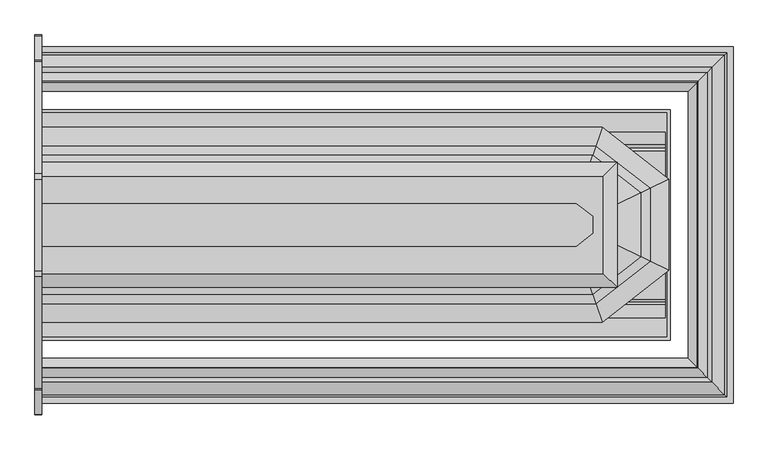
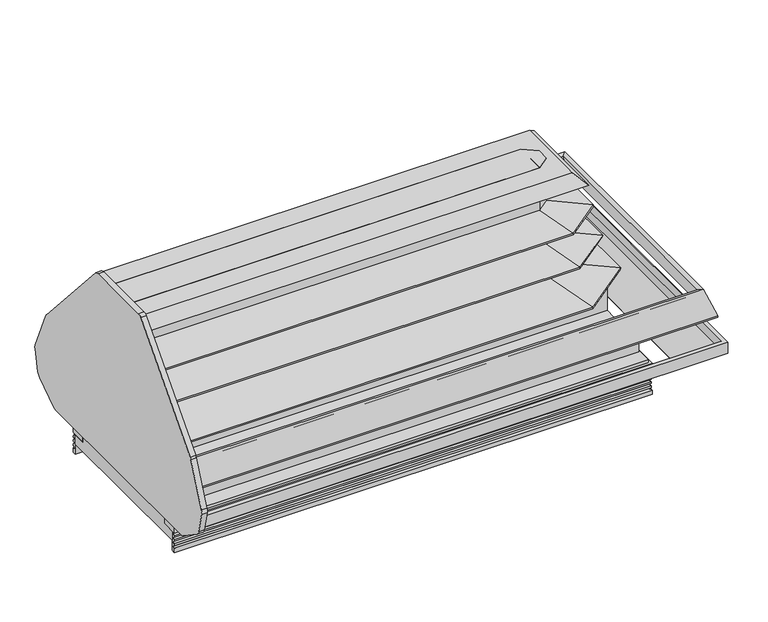
"""IFC4 building model written with IfcOpenShell, lengths in millimetres: proxy geometry."""

from ifc_helpers import new_model, si_unit, point, frame, frame_2d, origin, place, context, project, spatial, polyline, circle_curve, ellipse_curve, trimmed, segment, composite_curve, outline, extrude, faceted_brep, source, transform, mapped, element, save
from ifc_brep_helpers import plane_surface, cylinder_surface, revolved_surface, advanced_brep


def mechanical_equipment_3cde9003(model_context):
    return source(origin(), model_context, "Body", "SolidModel", [
        extrude(outline(polyline([(2941.6375, -886.8335484), (3246.4375, -886.8335484), (3246.4375, -988.4335484), (2941.6375, -988.4335484), (2941.6375, -886.8335484)])), frame((0.0, 0.0, 139.7), z_axis=(0.0, 0.0, 1.0), x_axis=(1.0, 0.0, 0.0)), (0.0, 0.0, 1.0), 53.975),
        extrude(outline(composite_curve([segment(polyline([(-1085.5128753, 1566.4562797), (-480.526685, 885.637089)]), True, "CONTINUOUS"), segment(trimmed(circle_curve(frame_2d((-518.5002411, 851.8932149)), 50.8), [point((-480.526685, 885.637089))], [point((-471.9860956, 872.3156111))], False, "CARTESIAN"), True, "CONTINUOUS"), segment(polyline([(-471.9860956, 872.3156111), (-341.5370545, 575.204262)]), True, "CONTINUOUS"), segment(trimmed(circle_curve(frame_2d((-387.5961448, 554.9816613)), 50.3030156), [point((-341.5370545, 575.204262))], [point((-338.5835735, 543.6608296))], False, "CARTESIAN"), True, "CONTINUOUS"), segment(polyline([(-338.5835735, 543.6608296), (-374.9847097, 391.220334)]), True, "CONTINUOUS"), segment(trimmed(circle_curve(frame_2d((-424.3955292, 403.0191015)), 50.8), [point((-374.9847097, 391.220334))], [point((-395.2578462, 361.4061777))], False, "CARTESIAN"), True, "CONTINUOUS"), segment(polyline([(-395.2578462, 361.4061777), (-569.0199124, 245.040927)]), True, "CONTINUOUS"), segment(trimmed(circle_curve(frame_2d((-598.1575954, 286.6538508)), 50.8), [point((-569.0199124, 245.040927))], [point((-598.1575954, 235.8538508))], False, "CARTESIAN"), True, "CONTINUOUS"), segment(polyline([(-598.1575954, 235.8538508), (-2125.3844839, 235.8538508)]), True, "CONTINUOUS"), segment(trimmed(circle_curve(frame_2d((-2125.3844839, 286.6538508)), 50.8), [point((-2125.3844839, 235.8538508))], [point((-2154.5221669, 245.040927))], False, "CARTESIAN"), True, "CONTINUOUS"), segment(polyline([(-2154.5221669, 245.040927), (-2328.2842331, 361.4061777)]), True, "CONTINUOUS"), segment(trimmed(circle_curve(frame_2d((-2299.1465501, 403.0191015)), 50.8), [point((-2328.2842331, 361.4061777))], [point((-2348.5573696, 391.220334))], False, "CARTESIAN"), True, "CONTINUOUS"), segment(polyline([(-2348.5573696, 391.220334), (-2384.9585058, 543.6608296)]), True, "CONTINUOUS"), segment(trimmed(circle_curve(frame_2d((-2335.9459345, 554.9816613)), 50.3030156), [point((-2384.9585058, 543.6608296))], [point((-2382.0050248, 575.204262))], False, "CARTESIAN"), True, "CONTINUOUS"), segment(polyline([(-2382.0050248, 575.204262), (-2251.5559837, 872.3156111)]), True, "CONTINUOUS"), segment(trimmed(circle_curve(frame_2d((-2205.0418381, 851.8932149)), 50.8), [point((-2251.5559837, 872.3156111))], [point((-2243.0153942, 885.637089))], False, "CARTESIAN"), True, "CONTINUOUS"), segment(polyline([(-2243.0153942, 885.637089), (-1638.029204, 1566.4562797)]), True, "CONTINUOUS"), segment(trimmed(circle_curve(frame_2d((-1608.8053155, 1524.9038508)), 50.8), [point((-1638.029204, 1566.4562797))], [point((-1608.8053155, 1575.7038508))], False, "CARTESIAN"), True, "CONTINUOUS"), segment(polyline([(-1608.8053155, 1575.7038508), (-1114.7367637, 1575.7038508)]), True, "CONTINUOUS"), segment(trimmed(circle_curve(frame_2d((-1114.7367637, 1524.9038508)), 50.8), [point((-1114.7367637, 1575.7038508))], [point((-1085.5128753, 1566.4562797))], False, "CARTESIAN"), True, "CONTINUOUS")], self_intersect=False)), frame((-38.1, 0.0, 0.0), z_axis=(1.0, 0.0, 0.0), x_axis=(0.0, 1.0, 0.0)), (0.0, 0.0, 1.0), 38.1),
        extrude(outline(polyline([(2880.4869938, -1246.7701211), (2969.3869938, -1316.2264133), (2969.3869938, -1407.4378289), (2880.4869938, -1476.8941211), (0.0, -1476.8941211), (0.0, -1246.7701211), (2880.4869938, -1246.7701211)])), frame((0.0, 0.0, 529.6852408), z_axis=(0.0, 0.0, 1.0), x_axis=(1.0, 0.0, 0.0)), (0.0, 0.0, 1.0), 1037.1772592),
        faceted_brep([(0.0, -1645.8233285, 971.7119545), (0.0, -1648.0286603, 984.219013), (0.0, -1784.8246123, 960.0981958), (0.0, -1787.1677774, 973.3869454), (0.0, -1476.8941211, 1028.0965624), (0.0, -1476.8941211, 969.4224998), (2939.4133413, -1075.6355819, 984.219013), (2938.6539846, -1077.8409138, 971.7119545), (0.0, -1077.8409138, 971.7119545), (0.0, -1075.6355819, 984.219013), (2986.5159649, -938.83963, 960.0981958), (0.0, -938.83963, 960.0981958), (2987.3227813, -936.4964649, 973.3869454), (0.0, -936.4964649, 973.3869454), (2880.4869938, -1246.7701211, 1028.0965624), (0.0, -1246.7701211, 1028.0965624), (2880.4869938, -1246.7701211, 969.4224998), (0.0, -1246.7701211, 969.4224998), (2938.6539846, -1645.8233285, 971.7119545), (2939.4133413, -1648.0286603, 984.219013), (2986.5159649, -1784.8246123, 960.0981958), (2987.3227813, -1787.1677774, 973.3869454), (2880.4869938, -1476.8941211, 1028.0965624), (2880.4869938, -1476.8941211, 969.4224998), (3138.3162012, -1489.8301085, 971.7119545), (3140.521533, -1490.9057207, 984.219013), (3277.317485, -1557.6255645, 960.0981958), (3279.6606501, -1558.7684025, 973.3869454), (2969.3869938, -1407.4378289, 1028.0965624), (2969.3869938, -1407.4378289, 969.4224998), (3138.3162012, -1233.8341337, 971.7119545), (3140.521533, -1232.7585215, 984.219013), (3277.317485, -1166.0386778, 960.0981958), (3279.6606501, -1164.8958398, 973.3869454), (2969.3869938, -1316.2264133, 1028.0965624), (2969.3869938, -1316.2264133, 969.4224998)], [[[0, 1, 2, 3, 4, 5]], [[6, 7, 8, 9]], [[10, 6, 9, 11]], [[12, 10, 11, 13]], [[14, 12, 13, 15]], [[16, 14, 15, 17]], [[7, 16, 17, 8]], [[8, 17, 15, 13, 11, 9]], [[1, 0, 18, 19]], [[2, 1, 19, 20]], [[3, 2, 20, 21]], [[4, 3, 21, 22]], [[5, 4, 22, 23]], [[0, 5, 23, 18]], [[19, 18, 24, 25]], [[20, 19, 25, 26]], [[21, 20, 26, 27]], [[22, 21, 27, 28]], [[23, 22, 28, 29]], [[18, 23, 29, 24]], [[25, 24, 30, 31]], [[26, 25, 31, 32]], [[27, 26, 32, 33]], [[28, 27, 33, 34]], [[29, 28, 34, 35]], [[24, 29, 35, 30]], [[31, 30, 7, 6]], [[32, 31, 6, 10]], [[33, 32, 10, 12]], [[34, 33, 12, 14]], [[35, 34, 14, 16]], [[30, 35, 16, 7]]]),
        faceted_brep([(0.0, -1476.8941211, 734.6361537), (0.0, -1748.5765466, 725.7131569), (0.0, -1749.6792126, 731.9666861), (0.0, -1884.9117822, 708.1215354), (0.0, -1887.2549473, 721.410285), (0.0, -1476.8941211, 793.7679705), (2974.034755, -975.0876956, 725.7131569), (2880.4869938, -1246.7701211, 734.6361537), (0.0, -1246.7701211, 734.6361537), (0.0, -975.0876956, 725.7131569), (2974.4144333, -973.9850297, 731.9666861), (0.0, -973.9850297, 731.9666861), (3020.9787412, -838.7524601, 708.1215354), (0.0, -838.7524601, 708.1215354), (3021.7855577, -836.409295, 721.410285), (0.0, -836.409295, 721.410285), (2880.4869938, -1246.7701211, 793.7679705), (0.0, -1246.7701211, 793.7679705), (2880.4869938, -1476.8941211, 734.6361537), (2974.034755, -1748.5765466, 725.7131569), (2974.4144333, -1749.6792126, 731.9666861), (3020.9787412, -1884.9117822, 708.1215354), (3021.7855577, -1887.2549473, 721.410285), (2880.4869938, -1476.8941211, 793.7679705), (2969.3869938, -1407.4378289, 734.6361537), (3241.0694193, -1539.9462016, 725.7131569), (3242.1720853, -1540.4840077, 731.9666861), (3377.4046549, -1606.4413389, 708.1215354), (3379.74782, -1607.5841769, 721.410285), (2969.3869938, -1407.4378289, 793.7679705), (2969.3869938, -1316.2264133, 734.6361537), (3241.0694193, -1183.7180407, 725.7131569), (3242.1720853, -1183.1802346, 731.9666861), (3377.4046549, -1117.2229033, 708.1215354), (3379.74782, -1116.0800653, 721.410285), (2969.3869938, -1316.2264133, 793.7679705)], [[[0, 1, 2, 3, 4, 5]], [[6, 7, 8, 9]], [[10, 6, 9, 11]], [[12, 10, 11, 13]], [[14, 12, 13, 15]], [[16, 14, 15, 17]], [[7, 16, 17, 8]], [[8, 17, 15, 13, 11, 9]], [[1, 0, 18, 19]], [[2, 1, 19, 20]], [[3, 2, 20, 21]], [[4, 3, 21, 22]], [[5, 4, 22, 23]], [[0, 5, 23, 18]], [[19, 18, 24, 25]], [[20, 19, 25, 26]], [[21, 20, 26, 27]], [[22, 21, 27, 28]], [[23, 22, 28, 29]], [[18, 23, 29, 24]], [[25, 24, 30, 31]], [[26, 25, 31, 32]], [[27, 26, 32, 33]], [[28, 27, 33, 34]], [[29, 28, 34, 35]], [[24, 29, 35, 30]], [[31, 30, 7, 6]], [[32, 31, 6, 10]], [[33, 32, 10, 12]], [[34, 33, 12, 14]], [[35, 34, 14, 16]], [[30, 35, 16, 7]]]),
        faceted_brep([(0.0, -1645.8233285, 1192.8622556), (0.0, -1648.0286603, 1205.3693141), (0.0, -1734.7963784, 1190.0698243), (0.0, -1737.1395435, 1203.3585739), (0.0, -1476.8941211, 1249.2468635), (0.0, -1476.8941211, 1190.5728009), (0.0, -1077.8409138, 1192.8622556), (0.0, -1246.7701211, 1190.5728009), (0.0, -1246.7701211, 1249.2468635), (0.0, -986.5246988, 1203.3585739), (0.0, -988.8678638, 1190.0698243), (0.0, -1075.6355819, 1205.3693141), (2939.4133413, -1648.0286603, 1205.3693141), (2938.6539846, -1645.8233285, 1192.8622556), (3138.3162012, -1489.8301085, 1192.8622556), (3140.521533, -1490.9057207, 1205.3693141), (2969.2898625, -1734.7963784, 1190.0698243), (3227.2892511, -1533.2251645, 1190.0698243), (2970.096679, -1737.1395435, 1203.3585739), (3229.6324162, -1534.3680025, 1203.3585739), (2880.4869938, -1476.8941211, 1249.2468635), (2969.3869938, -1407.4378289, 1249.2468635), (2880.4869938, -1476.8941211, 1190.5728009), (2969.3869938, -1407.4378289, 1190.5728009), (3138.3162012, -1233.8341337, 1192.8622556), (3140.521533, -1232.7585215, 1205.3693141), (3227.2892511, -1190.4390778, 1190.0698243), (3229.6324162, -1189.2962398, 1203.3585739), (2969.3869938, -1316.2264133, 1249.2468635), (2969.3869938, -1316.2264133, 1190.5728009), (2938.6539846, -1077.8409138, 1192.8622556), (2939.4133413, -1075.6355819, 1205.3693141), (2969.2898625, -988.8678638, 1190.0698243), (2970.096679, -986.5246988, 1203.3585739), (2880.4869938, -1246.7701211, 1249.2468635), (2880.4869938, -1246.7701211, 1190.5728009)], [[[0, 1, 2, 3, 4, 5]], [[6, 7, 8, 9, 10, 11]], [[12, 13, 14, 15]], [[16, 12, 15, 17]], [[18, 16, 17, 19]], [[20, 18, 19, 21]], [[22, 20, 21, 23]], [[13, 22, 23, 14]], [[15, 14, 24, 25]], [[17, 15, 25, 26]], [[19, 17, 26, 27]], [[21, 19, 27, 28]], [[23, 21, 28, 29]], [[14, 23, 29, 24]], [[25, 24, 30, 31]], [[26, 25, 31, 32]], [[27, 26, 32, 33]], [[28, 27, 33, 34]], [[29, 28, 34, 35]], [[24, 29, 35, 30]], [[31, 30, 6, 11]], [[32, 31, 11, 10]], [[33, 32, 10, 9]], [[34, 33, 9, 8]], [[35, 34, 8, 7]], [[30, 35, 7, 6]], [[1, 0, 13, 12]], [[2, 1, 12, 16]], [[3, 2, 16, 18]], [[4, 3, 18, 20]], [[5, 4, 20, 22]], [[0, 5, 22, 13]]]),
        faceted_brep([(0.0, -400.0738396, 393.2587782), (0.0, -624.4162298, 236.1725455), (0.0, -642.1057162, 261.4357503), (0.0, -431.0303317, 409.2323256), (0.0, -431.0303317, 475.7067395), (0.0, -400.0738396, 475.7067395), (0.0, -2323.590415, 393.2587782), (0.0, -2323.590415, 475.7067395), (0.0, -2292.6339229, 475.7067395), (0.0, -2292.6339229, 409.2323256), (0.0, -2081.5585384, 261.4357503), (0.0, -2099.2480248, 236.1725455), (3696.2267956, -431.0303317, 409.2323256), (3696.2267956, -431.0303317, 475.7067395), (3696.2267956, -2292.6339229, 475.7067395), (3727.1832877, -2323.590415, 475.7067395), (3727.1832877, -400.0738396, 475.7067395), (3727.1832877, -400.0738396, 393.2587782), (3696.2267956, -2292.6339229, 409.2323256), (3727.1832877, -2323.590415, 393.2587782), (3502.8408975, -624.4162298, 236.1725455), (3485.1514111, -642.1057162, 261.4357503), (3502.8408975, -2099.2480248, 236.1725455), (3485.1514111, -2081.5585384, 261.4357503)], [[[0, 1, 2, 3, 4, 5]], [[6, 7, 8, 9, 10, 11]], [[4, 3, 12, 13]], [[5, 4, 13, 14, 8, 7, 15, 16]], [[0, 5, 16, 17]], [[13, 12, 18, 14]], [[17, 16, 15, 19]], [[14, 18, 9, 8]], [[19, 15, 7, 6]], [[1, 0, 17, 20]], [[2, 1, 20, 21]], [[3, 2, 21, 12]], [[20, 17, 19, 22]], [[21, 20, 22, 23]], [[12, 21, 23, 18]], [[22, 19, 6, 11]], [[23, 22, 11, 10]], [[18, 23, 10, 9]]]),
        extrude(outline(composite_curve([segment(trimmed(circle_curve(frame_2d((1889.125, -1361.8321273)), 19.05), [point((1870.075, -1361.8321273))], [point((1908.175, -1361.8321273))], False, "CARTESIAN"), True, "CONTINUOUS"), segment(trimmed(circle_curve(frame_2d((1889.125, -1361.8321273)), 19.05), [point((1908.175, -1361.8321273))], [point((1870.075, -1361.8321273))], False, "CARTESIAN"), True, "CONTINUOUS")], self_intersect=False)), frame((0.0, 0.0, 43.7437524), z_axis=(0.0, 0.0, 1.0), x_axis=(1.0, 0.0, 0.0)), (0.0, 0.0, 1.0), 210.2562476),
        extrude(outline(composite_curve([segment(trimmed(circle_curve(frame_2d((105.4191453, -889.3908129)), 11.1125), [point((94.3066453, -889.3908129))], [point((116.5316453, -889.3908129))], False, "CARTESIAN"), True, "CONTINUOUS"), segment(trimmed(circle_curve(frame_2d((105.4191453, -889.3908129)), 11.1125), [point((116.5316453, -889.3908129))], [point((94.3066453, -889.3908129))], False, "CARTESIAN"), True, "CONTINUOUS")], self_intersect=False)), frame((0.0, 0.0, 43.7437524), z_axis=(0.0, 0.0, 1.0), x_axis=(1.0, 0.0, 0.0)), (0.0, 0.0, 1.0), 210.2562476),
        extrude(outline(composite_curve([segment(trimmed(circle_curve(frame_2d((105.8867913, -909.9672391)), 4.7625), [point((101.1242913, -909.9672391))], [point((110.6492913, -909.9672391))], False, "CARTESIAN"), True, "CONTINUOUS"), segment(trimmed(circle_curve(frame_2d((105.8867913, -909.9672391)), 4.7625), [point((110.6492913, -909.9672391))], [point((101.1242913, -909.9672391))], False, "CARTESIAN"), True, "CONTINUOUS")], self_intersect=False)), frame((0.0, 0.0, 43.7437524), z_axis=(0.0, 0.0, 1.0), x_axis=(1.0, 0.0, 0.0)), (0.0, 0.0, 1.0), 210.2562476),
        faceted_brep([(0.0, -1983.9416266, 146.05), (0.0, -1983.9416266, 233.7483804), (0.0, -1966.0346266, 233.7483804), (0.0, -1966.0346266, 254.0), (0.0, -1862.2307062, 254.0), (0.0, -1862.2307062, 146.05), (0.0, -739.722628, 146.05), (0.0, -861.4335484, 146.05), (0.0, -861.4335484, 254.0), (0.0, -757.629628, 254.0), (0.0, -757.629628, 233.7483804), (0.0, -739.722628, 233.7483804), (2890.8375, -859.8460484, 206.9984495), (3265.4875, -859.8460484, 206.9984495), (3265.4875, -861.4335484, 206.9984495), (2890.8375, -861.4335484, 206.9984495), (3265.4875, -859.8460484, 146.05), (3265.4875, -861.4335484, 146.05), (2890.8375, -859.8460484, 146.05), (2890.8375, -861.4335484, 146.05), (3387.5344993, -1983.9416266, 233.7483804), (3387.5344993, -1983.9416266, 146.05), (3387.5344993, -739.722628, 146.05), (3387.5344993, -739.722628, 233.7483804), (3369.6274993, -1966.0346266, 254.0), (3369.6274993, -1966.0346266, 233.7483804), (3369.6274993, -757.629628, 233.7483804), (3369.6274993, -757.629628, 254.0), (3265.8235789, -1862.2307062, 146.05), (3265.8235789, -1862.2307062, 254.0), (3265.8235789, -861.4335484, 254.0), (3265.8235789, -861.4335484, 146.05)], [[[0, 1, 2, 3, 4, 5]], [[6, 7, 8, 9, 10, 11]], [[12, 13, 14, 15]], [[14, 13, 16, 17]], [[13, 12, 18, 16]], [[12, 15, 19, 18]], [[20, 21, 22, 23]], [[24, 25, 26, 27]], [[28, 29, 30, 31]], [[6, 11, 23, 22]], [[10, 9, 27, 26]], [[8, 7, 19, 15, 14, 17, 31, 30]], [[1, 0, 21, 20]], [[2, 1, 20, 23, 11, 10, 26, 25]], [[3, 2, 25, 24]], [[4, 3, 24, 27, 9, 8, 30, 29]], [[5, 4, 29, 28]], [[0, 5, 28, 31, 17, 16, 18, 19, 7, 6, 22, 21]]]),
        advanced_brep(
        [(3360.5553221, -1476.8941211, 529.6852408), (3360.5553221, -1476.8941211, 330.5006237), (3360.5553221, -1762.7267176, 316.0191309), (3360.5553221, -1778.0110647, 301.5392231), (3360.5553221, -1793.2737198, 315.9985806), (3360.5553221, -1862.2498492, 318.4951693), (3360.5553221, -1862.2498492, 146.05), (3360.5553221, -1956.9624494, 146.05), (3360.5553221, -1956.9624494, 74.4934376), (3360.5553221, -766.7018052, 74.4934376), (3360.5553221, -766.7018052, 146.05), (3360.5553221, -861.4335484, 146.05), (3360.5553221, -861.4335484, 318.4944764), (3360.5553221, -930.3905348, 315.9985806), (3360.5553221, -945.6531899, 301.5392231), (3360.5553221, -960.937537, 316.0191309), (3360.5553221, -1246.7701335, 330.5006237), (3360.5553221, -1246.7701335, 529.6852408), (0.0, -1476.8941211, 529.6852408), (0.0, -1246.7701335, 529.6852408), (0.0, -1246.7701335, 330.5006237), (0.0, -960.937537, 316.0191309), (0.0, -945.6531899, 301.5392231), (0.0, -930.3905348, 315.9985806), (0.0, -861.4335484, 318.4944764), (0.0, -861.4335484, 146.05), (0.0, -766.7018052, 146.05), (0.0, -766.7018052, 74.4934376), (0.0, -1956.9624494, 74.4934376), (0.0, -1956.9624494, 146.05), (0.0, -1862.2498492, 146.05), (0.0, -1862.2498492, 318.4951693), (0.0, -1793.2737198, 315.9985806), (0.0, -1778.0110647, 301.5392231), (0.0, -1762.7267176, 316.0191309), (0.0, -1476.8941211, 330.5006237), (80.9625, -896.6946273, 254.0), (131.7625, -896.6946273, 254.0), (131.7625, -896.6946273, 74.4934376), (80.9625, -896.6946273, 74.4934376), (1857.375, -1361.3307706, 254.0), (1920.875, -1361.3307706, 254.0), (1920.875, -1361.3307706, 74.4934376), (1857.375, -1361.3307706, 74.4934376), (3265.4875, -1016.7926194, 206.9984495), (2890.8375, -1016.7926194, 206.9984495), (2890.8375, -861.4335484, 206.9984495), (3265.4875, -861.4335484, 206.9984495), (3265.4875, -1016.7926194, 74.4934376), (2890.8375, -1016.7926194, 74.4934376), (3265.4875, -861.4335484, 146.05), (3265.4875, -859.8460484, 146.05), (3265.4875, -859.8460484, 74.4934376), (2890.8375, -859.8460484, 146.05), (2890.8375, -859.8460484, 74.4934376), (2890.8375, -861.4335484, 146.05)],
        [
            (0, 1),
            (1, 2),
            (2, 3),
            (3, 4),
            (4, 5),
            (5, 6),
            (6, 7),
            (7, 8),
            (8, 9),
            (9, 10),
            (10, 11),
            (11, 12),
            (12, 13),
            (13, 14),
            (14, 15),
            (15, 16),
            (16, 17),
            (17, 0),
            (18, 19),
            (19, 20),
            (20, 21),
            (21, 22),
            (22, 23),
            (23, 24),
            (24, 25),
            (25, 26),
            (26, 27),
            (27, 28),
            (28, 29),
            (29, 30),
            (30, 31),
            (31, 32),
            (32, 33),
            (33, 34),
            (34, 35),
            (35, 18),
            (17, 19),
            (18, 0),
            (36, 37, circle_curve(frame((106.3625, -896.6946273, 254.0), z_axis=(0.0, 0.0, -1.0), x_axis=(1.0, 0.0, 0.0)), 25.4)),
            (37, 36, circle_curve(frame((106.3625, -896.6946273, 254.0), z_axis=(0.0, 0.0, -1.0), x_axis=(1.0, 0.0, 0.0)), 25.4)),
            (37, 38),
            (38, 39, circle_curve(frame((106.3625, -896.6946273, 74.4934376), z_axis=(0.0, 0.0, -1.0), x_axis=(1.0, 0.0, 0.0)), 25.4)),
            (39, 36),
            (39, 38, circle_curve(frame((106.3625, -896.6946273, 74.4934376), z_axis=(0.0, 0.0, -1.0), x_axis=(1.0, 0.0, 0.0)), 25.4)),
            (40, 41, circle_curve(frame((1889.125, -1361.3307706, 254.0), z_axis=(0.0, 0.0, -1.0), x_axis=(1.0, 0.0, 0.0)), 31.75)),
            (41, 40, circle_curve(frame((1889.125, -1361.3307706, 254.0), z_axis=(0.0, 0.0, -1.0), x_axis=(1.0, 0.0, 0.0)), 31.75)),
            (41, 42),
            (42, 43, circle_curve(frame((1889.125, -1361.3307706, 74.4934376), z_axis=(0.0, 0.0, -1.0), x_axis=(1.0, 0.0, 0.0)), 31.75)),
            (43, 40),
            (43, 42, circle_curve(frame((1889.125, -1361.3307706, 74.4934376), z_axis=(0.0, 0.0, -1.0), x_axis=(1.0, 0.0, 0.0)), 31.75)),
            (44, 45),
            (45, 46),
            (46, 47),
            (47, 44),
            (44, 48),
            (48, 49),
            (49, 45),
            (47, 50),
            (50, 51),
            (51, 52),
            (52, 48),
            (51, 53),
            (53, 54),
            (54, 52),
            (49, 54),
            (53, 55),
            (55, 46),
            (11, 50),
            (55, 25),
            (24, 12),
            (23, 13),
            (22, 14),
            (21, 15),
            (20, 16),
            (35, 1),
            (34, 2),
            (33, 3),
            (32, 4),
            (31, 5),
            (30, 6),
            (29, 7),
            (28, 8),
            (27, 9),
            (26, 10),
        ],
        [
            plane_surface(frame((3360.5553221, -1476.8941211, 561.4683528), z_axis=(1.0, 0.0, 0.0), x_axis=(0.0, 0.0, -1.0))),
            plane_surface(frame((0.0, -1476.8941211, 561.4683528), z_axis=(-1.0, 0.0, 0.0), x_axis=(0.0, 0.0, 1.0))),
            plane_surface(frame((3360.5553221, -1246.7701335, 529.6852408), z_axis=(0.0, 0.0, 1.0), x_axis=(-1.0, 0.0, 0.0))),
            plane_surface(frame((131.7625, -896.6946273, 254.0), z_axis=(0.0, 0.0, -1.0), x_axis=(0.0, 1.0, 0.0))),
            revolved_surface(polyline([(131.7625, -896.6946273, 254.0), (131.7625, -896.6946273, 74.4934376)]), (106.3625, -896.6946273, 0.0), (0.0, 0.0, 1.0)),
            plane_surface(frame((1920.875, -1361.3307706, 254.0), z_axis=(0.0, 0.0, -1.0), x_axis=(0.0, 1.0, 0.0))),
            revolved_surface(polyline([(1920.875, -1361.3307706, 254.0), (1920.875, -1361.3307706, 74.4934376)]), (1889.125, -1361.3307706, 0.0), (0.0, 0.0, 1.0)),
            plane_surface(frame((3265.4875, -1016.7926194, 206.9984495), z_axis=(0.0, 0.0, -1.0), x_axis=(1.0, 0.0, 0.0))),
            plane_surface(frame((2890.8375, -1016.7926194, 206.9984495), z_axis=(0.0, 1.0, 0.0), x_axis=(0.0, 0.0, -1.0))),
            plane_surface(frame((3265.4875, -1016.7926194, 206.9984495), z_axis=(-1.0, 0.0, 0.0), x_axis=(0.0, 0.0, -1.0))),
            plane_surface(frame((3265.4875, -859.8460484, 206.9984495), z_axis=(0.0, -1.0, 0.0), x_axis=(0.0, 0.0, -1.0))),
            plane_surface(frame((2890.8375, -859.8460484, 206.9984495), z_axis=(1.0, 0.0, 0.0), x_axis=(0.0, 0.0, -1.0))),
            plane_surface(frame((3360.5553221, -861.4335484, 146.05), z_axis=(0.0, 1.0, 0.0), x_axis=(-1.0, 0.0, 0.0))),
            plane_surface(frame((3360.5553221, -861.4335484, 318.4944764), z_axis=(0.0, -0.03617128099651393, 0.9993456050991926), x_axis=(-1.0, 0.0, 0.0))),
            plane_surface(frame((3360.5553221, -930.3905348, 315.9985806), z_axis=(0.0, -0.6877446479107889, 0.7259526839058211), x_axis=(-1.0, 0.0, 0.0))),
            plane_surface(frame((3360.5553221, -945.6531899, 301.5392231), z_axis=(0.0, 0.6877446479107768, 0.7259526839058327), x_axis=(-1.0, 0.0, 0.0))),
            plane_surface(frame((3360.5553221, -960.937537, 316.0191309), z_axis=(0.0, 0.05059934604184178, 0.998719032651395), x_axis=(-1.0, 0.0, 0.0))),
            plane_surface(frame((3360.5553221, -1246.7701335, 330.5006237), z_axis=(0.0, 1.0, 0.0), x_axis=(-1.0, 0.0, 0.0))),
            plane_surface(frame((3360.5553221, -1476.8941211, 529.6852408), z_axis=(0.0, -1.0, 0.0), x_axis=(-1.0, 0.0, 0.0))),
            plane_surface(frame((3360.5553221, -1476.8941211, 330.5006237), z_axis=(0.0, -0.05059934604185542, 0.9987190326513942), x_axis=(-1.0, 0.0, 0.0))),
            plane_surface(frame((3360.5553221, -1762.7267176, 316.0191309), z_axis=(0.0, -0.6877446479107836, 0.7259526839058262), x_axis=(-1.0, 0.0, 0.0))),
            plane_surface(frame((3360.5553221, -1778.0110647, 301.5392231), z_axis=(0.0, 0.6877446479107799, 0.7259526839058296), x_axis=(-1.0, 0.0, 0.0))),
            plane_surface(frame((3360.5553221, -1793.2737198, 315.9985806), z_axis=(0.0, 0.03617128099650122, 0.999345605099193), x_axis=(-1.0, 0.0, 0.0))),
            plane_surface(frame((3360.5553221, -1862.2498492, 318.4951693), z_axis=(0.0, -1.0, 0.0), x_axis=(-1.0, 0.0, 0.0))),
            plane_surface(frame((3360.5553221, -1862.2498492, 146.05), z_axis=(0.0, 0.0, 1.0), x_axis=(-1.0, 0.0, 0.0))),
            plane_surface(frame((3360.5553221, -1956.9624494, 146.05), z_axis=(0.0, -1.0, 0.0), x_axis=(-1.0, 0.0, 0.0))),
            plane_surface(frame((3360.5553221, -1956.9624494, 74.4934376), z_axis=(0.0, 0.0, -1.0), x_axis=(-1.0, 0.0, 0.0))),
            plane_surface(frame((3360.5553221, -766.7018052, 74.4934376), z_axis=(0.0, 1.0, 0.0), x_axis=(-1.0, 0.0, 0.0))),
            plane_surface(frame((3360.5553221, -766.7018052, 146.05), z_axis=(0.0, 0.0, 1.0), x_axis=(-1.0, 0.0, 0.0))),
        ],
        [
            (0, [[1, 2, 3, 4, 5, 6, 7, 8, 9, 10, 11, 12, 13, 14, 15, 16, 17, 18]]),
            (1, [[19, 20, 21, 22, 23, 24, 25, 26, 27, 28, 29, 30, 31, 32, 33, 34, 35, 36]]),
            (2, [[-18, 37, -19, 38]]),
            (3, [[39, 40]]),
            (4, [[-40, 41, 42, 43]]),
            (4, [[-39, -43, 44, -41]]),
            (5, [[45, 46]]),
            (6, [[-46, 47, 48, 49]]),
            (6, [[-45, -49, 50, -47]]),
            (7, [[51, 52, 53, 54]]),
            (8, [[-51, 55, 56, 57]]),
            (9, [[-54, 58, 59, 60, 61, -55]]),
            (10, [[-60, 62, 63, 64]]),
            (11, [[-52, -57, 65, -63, 66, 67]]),
            (12, [[-12, 68, -58, -53, -67, 69, -25, 70]]),
            (13, [[-13, -70, -24, 71]]),
            (14, [[-14, -71, -23, 72]]),
            (15, [[-15, -72, -22, 73]]),
            (16, [[-16, -73, -21, 74]]),
            (17, [[-17, -74, -20, -37]]),
            (18, [[-1, -38, -36, 75]]),
            (19, [[-2, -75, -35, 76]]),
            (20, [[-3, -76, -34, 77]]),
            (21, [[-4, -77, -33, 78]]),
            (22, [[-5, -78, -32, 79]]),
            (23, [[-6, -79, -31, 80]]),
            (24, [[-7, -80, -30, 81]]),
            (25, [[-8, -81, -29, 82]]),
            (26, [[-9, -82, -28, 83], [-42, -44], [-48, -50], [-56, -61, -64, -65]]),
            (27, [[-10, -83, -27, 84]]),
            (28, [[-11, -84, -26, -69, -66, -62, -59, -68]]),
        ],
    ),
        advanced_brep(
        [(0.0, -1970.5598032, 41.0863151), (0.0, -1967.0707061, 52.2515752), (0.0, -1977.7079014, 50.0937524), (0.0, -1979.7018014, 50.0937524), (0.0, -1979.7018014, 62.7937524), (0.0, -1970.5598032, 72.0584982), (0.0, -1967.0707061, 83.2237583), (0.0, -1977.7079014, 81.0659355), (0.0, -1979.7018014, 81.0659355), (0.0, -1979.7018014, 93.7659355), (0.0, -1970.5598032, 103.0306813), (0.0, -1967.0707061, 114.0694894), (0.0, -1977.7079014, 112.0383055), (0.0, -1979.7018014, 112.0383055), (0.0, -1979.7018014, 124.7383055), (0.0, -1967.0707061, 137.4381186), (0.0, -1967.0707061, 146.05), (0.0, -1956.9624494, 146.05), (0.0, -1956.9624494, 0.0), (0.0, -1982.5901061, 0.0), (0.0, -1982.5901061, 31.4790022), (0.0, -753.1044514, 41.0863151), (0.0, -741.0741485, 31.4790022), (0.0, -741.0741485, 0.0), (0.0, -766.7018052, 0.0), (0.0, -766.7018052, 146.05), (0.0, -756.5935485, 146.05), (0.0, -756.5935485, 137.4381186), (0.0, -743.9624532, 124.7383055), (0.0, -743.9624532, 112.0383055), (0.0, -745.9563532, 112.0383055), (0.0, -756.5935485, 114.0694894), (0.0, -753.1044514, 103.0306813), (0.0, -743.9624532, 93.7659355), (0.0, -743.9624532, 81.0659355), (0.0, -745.9563532, 81.0659355), (0.0, -756.5935485, 83.2237583), (0.0, -753.1044514, 72.0584982), (0.0, -743.9624532, 62.7937524), (0.0, -743.9624532, 50.0937524), (0.0, -745.9563532, 50.0937524), (0.0, -756.5935485, 52.2515752), (3374.1526759, -1970.5598032, 41.0863151), (3370.6635788, -1967.0707061, 52.2515752), (3381.3007741, -1977.7079014, 50.0937524), (3381.3007741, -745.9563532, 50.0937524), (3383.2946741, -743.9624532, 50.0937524), (3383.2946741, -1979.7018014, 50.0937524), (3383.2946741, -1979.7018014, 62.7937524), (3374.1526759, -1970.5598032, 72.0584982), (3370.6635788, -1967.0707061, 83.2237583), (3381.3007741, -1977.7079014, 81.0659355), (3381.3007741, -745.9563532, 81.0659355), (3383.2946741, -743.9624532, 81.0659355), (3383.2946741, -1979.7018014, 81.0659355), (3383.2946741, -1979.7018014, 93.7659355), (3374.1526759, -1970.5598032, 103.0306813), (3370.6635788, -1967.0707061, 114.0694894), (3381.3007741, -1977.7079014, 112.0383055), (3381.3007741, -745.9563532, 112.0383055), (3383.2946741, -743.9624532, 112.0383055), (3383.2946741, -1979.7018014, 112.0383055), (3383.2946741, -1979.7018014, 124.7383055), (3370.6635788, -1967.0707061, 137.4381186), (3370.6635788, -1967.0707061, 146.05), (3370.6635788, -756.5935485, 146.05), (3360.5553221, -766.7018052, 146.05), (3360.5553221, -1956.9624494, 146.05), (3360.5553221, -1956.9624494, 0.0), (3360.5553221, -766.7018052, 0.0), (3386.1829788, -741.0741485, 0.0), (3386.1829788, -1982.5901061, 0.0), (3386.1829788, -1982.5901061, 31.4790022), (3374.1526759, -753.1044514, 41.0863151), (3370.6635788, -756.5935485, 52.2515752), (3383.2946741, -743.9624532, 62.7937524), (3374.1526759, -753.1044514, 72.0584982), (3370.6635788, -756.5935485, 83.2237583), (3383.2946741, -743.9624532, 93.7659355), (3374.1526759, -753.1044514, 103.0306813), (3370.6635788, -756.5935485, 114.0694894), (3383.2946741, -743.9624532, 124.7383055), (3370.6635788, -756.5935485, 137.4381186), (3386.1829788, -741.0741485, 31.4790022)],
        [
            (0, 1),
            (1, 2),
            (2, 3),
            (3, 4),
            (4, 5, circle_curve(frame((0.0, -1982.8936404, 75.0861144), z_axis=(1.0, 0.0, 0.0), x_axis=(0.0, 1.0, 0.0)), 12.7)),
            (5, 6),
            (6, 7),
            (7, 8),
            (8, 9),
            (9, 10, circle_curve(frame((0.0, -1982.8936404, 106.0582975), z_axis=(1.0, 0.0, 0.0), x_axis=(0.0, 1.0, 0.0)), 12.7)),
            (10, 11),
            (11, 12),
            (12, 13),
            (13, 14),
            (14, 15, circle_curve(frame((0.0, -1979.7707061, 137.4381186), z_axis=(1.0, 0.0, 0.0), x_axis=(0.0, 1.0, 0.0)), 12.7)),
            (15, 16),
            (16, 17),
            (17, 18),
            (18, 19),
            (19, 20),
            (20, 0, circle_curve(frame((0.0, -1981.5363588, 42.4953422), z_axis=(1.0, 0.0, 0.0), x_axis=(0.0, 1.0, 0.0)), 11.0666223)),
            (21, 22, circle_curve(frame((0.0, -742.1278958, 42.4953422), z_axis=(1.0, 0.0, 0.0), x_axis=(0.0, -1.0, 0.0)), 11.0666223)),
            (22, 23),
            (23, 24),
            (24, 25),
            (25, 26),
            (26, 27),
            (27, 28, circle_curve(frame((0.0, -743.8935485, 137.4381186), z_axis=(1.0, 0.0, 0.0), x_axis=(0.0, -1.0, 0.0)), 12.7)),
            (28, 29),
            (29, 30),
            (30, 31),
            (31, 32),
            (32, 33, circle_curve(frame((0.0, -740.7706142, 106.0582975), z_axis=(1.0, 0.0, 0.0), x_axis=(0.0, -1.0, 0.0)), 12.7)),
            (33, 34),
            (34, 35),
            (35, 36),
            (36, 37),
            (37, 38, circle_curve(frame((0.0, -740.7706142, 75.0861144), z_axis=(1.0, 0.0, 0.0), x_axis=(0.0, -1.0, 0.0)), 12.7)),
            (38, 39),
            (39, 40),
            (40, 41),
            (41, 21),
            (0, 42),
            (42, 43),
            (43, 1),
            (43, 44),
            (44, 2),
            (44, 45),
            (45, 40),
            (39, 46),
            (46, 47),
            (47, 3),
            (47, 48),
            (48, 4),
            (48, 49, ellipse_curve(frame((3386.4865131, -1982.8936404, 75.0861144), z_axis=(0.7071067811865475, 0.7071067811865475, 0.0), x_axis=(0.7071067811865476, -0.7071067811865474, 0.0)), 17.9605122, 12.7)),
            (49, 5),
            (49, 50),
            (50, 6),
            (50, 51),
            (51, 7),
            (51, 52),
            (52, 35),
            (34, 53),
            (53, 54),
            (54, 8),
            (54, 55),
            (55, 9),
            (55, 56, ellipse_curve(frame((3386.4865131, -1982.8936404, 106.0582975), z_axis=(0.7071067811865475, 0.7071067811865475, 0.0), x_axis=(0.7071067811865476, -0.7071067811865474, 0.0)), 17.9605122, 12.7)),
            (56, 10),
            (56, 57),
            (57, 11),
            (57, 58),
            (58, 12),
            (58, 59),
            (59, 30),
            (29, 60),
            (60, 61),
            (61, 13),
            (61, 62),
            (62, 14),
            (62, 63, ellipse_curve(frame((3383.3635788, -1979.7707061, 137.4381186), z_axis=(0.7071067811865475, 0.7071067811865475, 0.0), x_axis=(0.7071067811865476, -0.7071067811865474, 0.0)), 17.9605122, 12.7)),
            (63, 15),
            (63, 64),
            (64, 16),
            (64, 65),
            (65, 26),
            (25, 66),
            (66, 67),
            (67, 17),
            (67, 68),
            (68, 18),
            (68, 69),
            (69, 24),
            (23, 70),
            (70, 71),
            (71, 19),
            (71, 72),
            (72, 20),
            (72, 42, ellipse_curve(frame((3385.1292315, -1981.5363588, 42.4953422), z_axis=(0.7071067811865475, 0.7071067811865475, 0.0), x_axis=(0.7071067811865476, -0.7071067811865474, 0.0)), 15.6505674, 11.0666223)),
            (42, 73),
            (73, 74),
            (74, 43),
            (74, 45),
            (46, 75),
            (75, 48),
            (75, 76, ellipse_curve(frame((3386.4865131, -740.7706142, 75.0861144), z_axis=(-0.7071067811865475, 0.7071067811865475, 0.0), x_axis=(0.7071067811865474, 0.7071067811865476, 0.0)), 17.9605122, 12.7)),
            (76, 49),
            (76, 77),
            (77, 50),
            (77, 52),
            (53, 78),
            (78, 55),
            (78, 79, ellipse_curve(frame((3386.4865131, -740.7706142, 106.0582975), z_axis=(-0.7071067811865475, 0.7071067811865475, 0.0), x_axis=(0.7071067811865474, 0.7071067811865476, 0.0)), 17.9605122, 12.7)),
            (79, 56),
            (79, 80),
            (80, 57),
            (80, 59),
            (60, 81),
            (81, 62),
            (81, 82, ellipse_curve(frame((3383.3635788, -743.8935485, 137.4381186), z_axis=(-0.7071067811865475, 0.7071067811865475, 0.0), x_axis=(0.7071067811865474, 0.7071067811865476, 0.0)), 17.9605122, 12.7)),
            (82, 63),
            (82, 65),
            (66, 69),
            (70, 83),
            (83, 72),
            (83, 73, ellipse_curve(frame((3385.1292315, -742.1278958, 42.4953422), z_axis=(-0.7071067811865475, 0.7071067811865475, 0.0), x_axis=(0.7071067811865474, 0.7071067811865476, 0.0)), 15.6505674, 11.0666223)),
            (41, 74),
            (73, 21),
            (38, 75),
            (37, 76),
            (36, 77),
            (33, 78),
            (32, 79),
            (31, 80),
            (28, 81),
            (27, 82),
            (22, 83),
        ],
        [
            plane_surface(frame((0.0, -2374.6571273, 0.0), z_axis=(-1.0, 0.0, 0.0), x_axis=(0.0, 0.0, 1.0))),
            plane_surface(frame((0.0, -349.0071273, 0.0), z_axis=(-1.0, 0.0, 0.0), x_axis=(0.0, 0.0, 1.0))),
            plane_surface(frame((0.0, -1970.5598032, 41.0863151), z_axis=(0.0, -0.9544811145040176, 0.29827135641085006), x_axis=(1.0, 0.0, 0.0))),
            plane_surface(frame((0.0, -1967.0707061, 52.2515752), z_axis=(0.0, 0.19880707887699167, -0.9800386448443743), x_axis=(1.0, 0.0, 0.0))),
            plane_surface(frame((0.0, -1977.7079014, 50.0937524), z_axis=(0.0, 0.0, -1.0), x_axis=(1.0, 0.0, 0.0))),
            plane_surface(frame((0.0, -1979.7018014, 50.0937524), z_axis=(0.0, -1.0, 0.0), x_axis=(1.0, 0.0, 0.0))),
            revolved_surface(polyline([(3399.186513070204, -1970.1936404, 75.0861144), (0.0, -1970.1936404, 75.0861144)]), (0.0, -1982.8936404, 75.0861144), (1.0, 0.0, 0.0)),
            plane_surface(frame((0.0, -1970.5598032, 72.0584982), z_axis=(0.0, -0.9544811145039999, 0.29827135641090713), x_axis=(1.0, 0.0, 0.0))),
            plane_surface(frame((0.0, -1967.0707061, 83.2237583), z_axis=(0.0, 0.19880707887699767, -0.9800386448443731), x_axis=(1.0, 0.0, 0.0))),
            plane_surface(frame((0.0, -1977.7079014, 81.0659355), z_axis=(0.0, 0.0, -1.0), x_axis=(1.0, 0.0, 0.0))),
            plane_surface(frame((0.0, -1979.7018014, 81.0659355), z_axis=(0.0, -1.0, 0.0), x_axis=(1.0, 0.0, 0.0))),
            revolved_surface(polyline([(3399.186513070204, -1970.1936404, 106.0582975), (0.0, -1970.1936404, 106.0582975)]), (0.0, -1982.8936404, 106.0582975), (1.0, 0.0, 0.0)),
            plane_surface(frame((0.0, -1970.5598032, 103.0306813), z_axis=(0.0, -0.9535043111328462, 0.30137937661870046), x_axis=(1.0, 0.0, 0.0))),
            plane_surface(frame((0.0, -1967.0707061, 114.0694894), z_axis=(0.0, 0.18756221551803973, -0.9822527247658641), x_axis=(1.0, 0.0, 0.0))),
            plane_surface(frame((0.0, -1977.7079014, 112.0383055), z_axis=(0.0, 0.0, -1.0), x_axis=(1.0, 0.0, 0.0))),
            plane_surface(frame((0.0, -1979.7018014, 112.0383055), z_axis=(0.0, -1.0, 0.0), x_axis=(1.0, 0.0, 0.0))),
            revolved_surface(polyline([(3396.063578770204, -1967.0707061, 137.4381186), (0.0, -1967.0707061, 137.4381186)]), (0.0, -1979.7707061, 137.4381186), (1.0, 0.0, 0.0)),
            plane_surface(frame((0.0, -1967.0707061, 137.4381186), z_axis=(0.0, -1.0, 0.0), x_axis=(1.0, 0.0, 0.0))),
            plane_surface(frame((0.0, -1967.0707061, 146.05), z_axis=(0.0, 0.0, 1.0), x_axis=(1.0, 0.0, 0.0))),
            plane_surface(frame((0.0, -1956.9624494, 146.05), z_axis=(0.0, 1.0, 0.0), x_axis=(1.0, 0.0, 0.0))),
            plane_surface(frame((0.0, -1956.9624494, 0.0), z_axis=(0.0, 0.0, -1.0), x_axis=(1.0, 0.0, 0.0))),
            plane_surface(frame((0.0, -1982.5901061, 0.0), z_axis=(0.0, -1.0, 0.0), x_axis=(1.0, 0.0, 0.0))),
            revolved_surface(polyline([(3396.195853837957, -1970.4697365, 42.4953422), (0.0, -1970.4697365, 42.4953422)]), (0.0, -1981.5363588, 42.4953422), (1.0, 0.0, 0.0)),
            plane_surface(frame((3374.1526759, -1970.5598032, 41.0863151), z_axis=(0.9544811145040176, 0.0, 0.29827135641085006), x_axis=(0.0, 1.0, 0.0))),
            plane_surface(frame((3370.6635788, -1967.0707061, 52.2515752), z_axis=(-0.19880707887699167, 0.0, -0.9800386448443743), x_axis=(0.0, 1.0, 0.0))),
            plane_surface(frame((3383.2946741, -1979.7018014, 50.0937524), z_axis=(1.0, 0.0, 0.0), x_axis=(0.0, 1.0, 0.0))),
            revolved_surface(polyline([(3373.7865131000003, -728.0706142297963, 75.0861144), (3373.7865131000003, -1995.5936403702037, 75.0861144)]), (3386.4865131, -2374.6571273, 75.0861144), (0.0, 1.0, 0.0)),
            plane_surface(frame((3374.1526759, -1970.5598032, 72.0584982), z_axis=(0.9544811145039999, 0.0, 0.29827135641090713), x_axis=(0.0, 1.0, 0.0))),
            plane_surface(frame((3370.6635788, -1967.0707061, 83.2237583), z_axis=(-0.19880707887699767, 0.0, -0.9800386448443731), x_axis=(0.0, 1.0, 0.0))),
            plane_surface(frame((3383.2946741, -1979.7018014, 81.0659355), z_axis=(1.0, 0.0, 0.0), x_axis=(0.0, 1.0, 0.0))),
            revolved_surface(polyline([(3373.7865131000003, -728.0706142297963, 106.0582975), (3373.7865131000003, -1995.5936403702037, 106.0582975)]), (3386.4865131, -2374.6571273, 106.0582975), (0.0, 1.0, 0.0)),
            plane_surface(frame((3374.1526759, -1970.5598032, 103.0306813), z_axis=(0.9535043111328462, 0.0, 0.30137937661870046), x_axis=(0.0, 1.0, 0.0))),
            plane_surface(frame((3370.6635788, -1967.0707061, 114.0694894), z_axis=(-0.18756221551803973, 0.0, -0.9822527247658641), x_axis=(0.0, 1.0, 0.0))),
            plane_surface(frame((3383.2946741, -1979.7018014, 112.0383055), z_axis=(1.0, 0.0, 0.0), x_axis=(0.0, 1.0, 0.0))),
            revolved_surface(polyline([(3370.6635788000003, -731.1935485297963, 137.4381186), (3370.6635788000003, -1992.4707060702037, 137.4381186)]), (3383.3635788, -2374.6571273, 137.4381186), (0.0, 1.0, 0.0)),
            plane_surface(frame((3370.6635788, -1967.0707061, 137.4381186), z_axis=(1.0, 0.0, 0.0), x_axis=(0.0, 1.0, 0.0))),
            plane_surface(frame((3360.5553221, -1956.9624494, 146.05), z_axis=(-1.0, 0.0, 0.0), x_axis=(0.0, 1.0, 0.0))),
            plane_surface(frame((3386.1829788, -1982.5901061, 0.0), z_axis=(1.0, 0.0, 0.0), x_axis=(0.0, 1.0, 0.0))),
            revolved_surface(polyline([(3374.0626092, -731.0612734620429, 42.4953422), (3374.0626092, -1992.6029811379572, 42.4953422)]), (3385.1292315, -2374.6571273, 42.4953422), (0.0, 1.0, 0.0)),
            plane_surface(frame((3374.1526759, -753.1044514, 41.0863151), z_axis=(0.0, 0.9544811145040176, 0.29827135641085006), x_axis=(-1.0, 0.0, 0.0))),
            plane_surface(frame((3370.6635788, -756.5935485, 52.2515752), z_axis=(0.0, -0.19880707887699167, -0.9800386448443743), x_axis=(-1.0, 0.0, 0.0))),
            plane_surface(frame((3383.2946741, -743.9624532, 50.0937524), z_axis=(0.0, 1.0, 0.0), x_axis=(-1.0, 0.0, 0.0))),
            revolved_surface(polyline([(0.0, -753.4706142, 75.0861144), (3399.186513070204, -753.4706142, 75.0861144)]), (3778.25, -740.7706142, 75.0861144), (-1.0, 0.0, 0.0)),
            plane_surface(frame((3374.1526759, -753.1044514, 72.0584982), z_axis=(0.0, 0.9544811145039999, 0.29827135641090713), x_axis=(-1.0, 0.0, 0.0))),
            plane_surface(frame((3370.6635788, -756.5935485, 83.2237583), z_axis=(0.0, -0.19880707887699767, -0.9800386448443731), x_axis=(-1.0, 0.0, 0.0))),
            plane_surface(frame((3383.2946741, -743.9624532, 81.0659355), z_axis=(0.0, 1.0, 0.0), x_axis=(-1.0, 0.0, 0.0))),
            revolved_surface(polyline([(0.0, -753.4706142, 106.0582975), (3399.186513070204, -753.4706142, 106.0582975)]), (3778.25, -740.7706142, 106.0582975), (-1.0, 0.0, 0.0)),
            plane_surface(frame((3374.1526759, -753.1044514, 103.0306813), z_axis=(0.0, 0.9535043111328462, 0.30137937661870046), x_axis=(-1.0, 0.0, 0.0))),
            plane_surface(frame((3370.6635788, -756.5935485, 114.0694894), z_axis=(0.0, -0.18756221551803973, -0.9822527247658641), x_axis=(-1.0, 0.0, 0.0))),
            plane_surface(frame((3383.2946741, -743.9624532, 112.0383055), z_axis=(0.0, 1.0, 0.0), x_axis=(-1.0, 0.0, 0.0))),
            revolved_surface(polyline([(0.0, -756.5935485, 137.4381186), (3396.063578770204, -756.5935485, 137.4381186)]), (3778.25, -743.8935485, 137.4381186), (-1.0, 0.0, 0.0)),
            plane_surface(frame((3370.6635788, -756.5935485, 137.4381186), z_axis=(0.0, 1.0, 0.0), x_axis=(-1.0, 0.0, 0.0))),
            plane_surface(frame((3360.5553221, -766.7018052, 146.05), z_axis=(0.0, -1.0, 0.0), x_axis=(-1.0, 0.0, 0.0))),
            plane_surface(frame((3386.1829788, -741.0741485, 0.0), z_axis=(0.0, 1.0, 0.0), x_axis=(-1.0, 0.0, 0.0))),
            revolved_surface(polyline([(0.0, -753.1945181, 42.4953422), (3396.195853837957, -753.1945181, 42.4953422)]), (3778.25, -742.1278958, 42.4953422), (-1.0, 0.0, 0.0)),
        ],
        [
            (0, [[1, 2, 3, 4, 5, 6, 7, 8, 9, 10, 11, 12, 13, 14, 15, 16, 17, 18, 19, 20, 21]]),
            (1, [[22, 23, 24, 25, 26, 27, 28, 29, 30, 31, 32, 33, 34, 35, 36, 37, 38, 39, 40, 41, 42]]),
            (2, [[-1, 43, 44, 45]]),
            (3, [[-2, -45, 46, 47]]),
            (4, [[-3, -47, 48, 49, -40, 50, 51, 52]]),
            (5, [[-4, -52, 53, 54]]),
            (6, [[-5, -54, 55, 56]]),
            (7, [[-6, -56, 57, 58]]),
            (8, [[-7, -58, 59, 60]]),
            (9, [[-8, -60, 61, 62, -35, 63, 64, 65]]),
            (10, [[-9, -65, 66, 67]]),
            (11, [[-10, -67, 68, 69]]),
            (12, [[-11, -69, 70, 71]]),
            (13, [[-12, -71, 72, 73]]),
            (14, [[-13, -73, 74, 75, -30, 76, 77, 78]]),
            (15, [[-14, -78, 79, 80]]),
            (16, [[-15, -80, 81, 82]]),
            (17, [[-16, -82, 83, 84]]),
            (18, [[-17, -84, 85, 86, -26, 87, 88, 89]]),
            (19, [[-18, -89, 90, 91]]),
            (20, [[-19, -91, 92, 93, -24, 94, 95, 96]]),
            (21, [[-20, -96, 97, 98]]),
            (22, [[-21, -98, 99, -43]]),
            (23, [[-44, 100, 101, 102]]),
            (24, [[-46, -102, 103, -48]]),
            (25, [[-51, 104, 105, -53]]),
            (26, [[-55, -105, 106, 107]]),
            (27, [[-57, -107, 108, 109]]),
            (28, [[-59, -109, 110, -61]]),
            (29, [[-64, 111, 112, -66]]),
            (30, [[-68, -112, 113, 114]]),
            (31, [[-70, -114, 115, 116]]),
            (32, [[-72, -116, 117, -74]]),
            (33, [[-77, 118, 119, -79]]),
            (34, [[-81, -119, 120, 121]]),
            (35, [[-83, -121, 122, -85]]),
            (36, [[-88, 123, -92, -90]]),
            (37, [[-95, 124, 125, -97]]),
            (38, [[-99, -125, 126, -100]]),
            (39, [[-42, 127, -101, 128]]),
            (40, [[-41, -49, -103, -127]]),
            (41, [[-39, 129, -104, -50]]),
            (42, [[-38, 130, -106, -129]]),
            (43, [[-37, 131, -108, -130]]),
            (44, [[-36, -62, -110, -131]]),
            (45, [[-34, 132, -111, -63]]),
            (46, [[-33, 133, -113, -132]]),
            (47, [[-32, 134, -115, -133]]),
            (48, [[-31, -75, -117, -134]]),
            (49, [[-29, 135, -118, -76]]),
            (50, [[-28, 136, -120, -135]]),
            (51, [[-27, -86, -122, -136]]),
            (52, [[-25, -93, -123, -87]]),
            (53, [[-23, 137, -124, -94]]),
            (54, [[-22, -128, -126, -137]]),
        ],
    ),
        faceted_brep([(0.0, -2277.0732774, 664.6065482), (0.0, -2211.345982, 845.190808), (0.0, -2185.9860274, 835.9605394), (0.0, -2253.2454931, 651.1666761), (0.0, -2277.0732774, 651.1666761), (0.0, -446.5909772, 664.6065482), (0.0, -446.5909772, 651.1666761), (0.0, -470.4187615, 651.1666761), (0.0, -537.6782272, 835.9605394), (0.0, -512.3182726, 845.190808), (3614.9388547, -2211.345982, 845.190808), (3680.6661501, -2277.0732774, 664.6065482), (3680.6661501, -446.5909772, 664.6065482), (3614.9388547, -512.3182726, 845.190808), (3589.5789001, -2185.9860274, 835.9605394), (3589.5789001, -537.6782272, 835.9605394), (3656.8383658, -2253.2454931, 651.1666761), (3656.8383658, -470.4187615, 651.1666761), (3680.6661501, -2277.0732774, 651.1666761), (3680.6661501, -446.5909772, 651.1666761)], [[[0, 1, 2, 3, 4]], [[5, 6, 7, 8, 9]], [[10, 11, 12, 13]], [[14, 10, 13, 15]], [[16, 14, 15, 17]], [[11, 18, 19, 12]], [[13, 12, 5, 9]], [[15, 13, 9, 8]], [[17, 15, 8, 7]], [[12, 19, 6, 5]], [[1, 0, 11, 10]], [[2, 1, 10, 14]], [[3, 2, 14, 16]], [[4, 3, 16, 17, 7, 6, 19, 18]], [[0, 4, 18, 11]]]),
        advanced_brep(
        [(0.0, -2131.5869703, 759.9375159), (0.0, -2187.9511755, 620.9098146), (0.0, -2193.0901823, 620.9098146), (0.0, -2136.0005481, 761.7268557), (0.0, -592.0772843, 759.9375159), (0.0, -587.6637065, 761.7268557), (0.0, -530.5740723, 620.9098146), (0.0, -535.7130791, 620.9098146), (3591.5440482, -2187.9511755, 620.9098146), (3535.179843, -2131.5869703, 759.9375159), (3535.179843, -592.0772843, 759.9375159), (3591.5440482, -535.7130791, 620.9098146), (3539.5934208, -2136.0005481, 761.7268557), (3596.683055, -2193.0901823, 620.9098146), (3596.683055, -530.5740723, 620.9098146), (3539.5934208, -587.6637065, 761.7268557)],
        [
            (0, 1),
            (1, 2),
            (2, 3),
            (3, 0, circle_curve(frame((0.0, -2133.7937592, 760.8321858), z_axis=(-1.0, 0.0, 0.0), x_axis=(0.0, 1.0, 0.0)), 2.38125)),
            (4, 5, circle_curve(frame((0.0, -589.8704954, 760.8321858), z_axis=(-1.0, 0.0, 0.0), x_axis=(0.0, -1.0, 0.0)), 2.38125)),
            (5, 6),
            (6, 7),
            (7, 4),
            (8, 9),
            (9, 10),
            (10, 11),
            (11, 8),
            (12, 13),
            (13, 14),
            (14, 15),
            (15, 12),
            (9, 12, ellipse_curve(frame((3537.3866319, -2133.7937592, 760.8321858), z_axis=(0.7071067811865475, 0.7071067811865475, 0.0), x_axis=(0.7071067811865474, -0.7071067811865476, 0.0)), 3.367596, 2.38125)),
            (15, 10, ellipse_curve(frame((3537.3866319, -589.8704954, 760.8321858), z_axis=(0.7071067811865475, -0.7071067811865475, 0.0), x_axis=(-0.7071067811865474, -0.7071067811865476, 0.0)), 3.367596, 2.38125)),
            (10, 4),
            (7, 11),
            (14, 6),
            (5, 15),
            (0, 9),
            (8, 1),
            (13, 2),
            (12, 3),
        ],
        [
            plane_surface(frame((0.0, -2374.6571273, 0.0), z_axis=(-1.0, 0.0, 0.0), x_axis=(0.0, 0.0, 1.0))),
            plane_surface(frame((0.0, -349.0071273, 0.0), z_axis=(-1.0, 0.0, 0.0), x_axis=(0.0, 0.0, 1.0))),
            plane_surface(frame((3535.179843, -2131.5869703, 759.9375159), z_axis=(-0.9267354998634747, 0.0, -0.3757144038931643), x_axis=(0.0, 1.0, 0.0))),
            plane_surface(frame((3596.683055, -2193.0901823, 620.9098146), z_axis=(0.9267354998635949, 0.0, 0.3757144038928678), x_axis=(0.0, 1.0, 0.0))),
            cylinder_surface(frame((3537.3866319, -2374.6571273, 760.8321858), z_axis=(0.0, -1.0, 0.0), x_axis=(-1.0, 0.0, 0.0)), 2.38125),
            plane_surface(frame((3535.179843, -592.0772843, 759.9375159), z_axis=(0.0, -0.9267354998634747, -0.3757144038931643), x_axis=(-1.0, 0.0, 0.0))),
            plane_surface(frame((3596.683055, -530.5740723, 620.9098146), z_axis=(0.0, 0.9267354998635949, 0.3757144038928678), x_axis=(-1.0, 0.0, 0.0))),
            cylinder_surface(frame((3778.25, -589.8704954, 760.8321858), z_axis=(1.0, 0.0, 0.0), x_axis=(0.0, -1.0, 0.0)), 2.38125),
            plane_surface(frame((0.0, -2131.5869703, 759.9375159), z_axis=(0.0, 0.9267354998634747, -0.3757144038931643), x_axis=(1.0, 0.0, 0.0))),
            plane_surface(frame((0.0, -2187.9511755, 620.9098146), z_axis=(0.0, 0.0, -1.0), x_axis=(1.0, 0.0, 0.0))),
            plane_surface(frame((0.0, -2193.0901823, 620.9098146), z_axis=(0.0, -0.9267354998635949, 0.3757144038928678), x_axis=(1.0, 0.0, 0.0))),
            cylinder_surface(frame((0.0, -2133.7937592, 760.8321858), z_axis=(-1.0, 0.0, 0.0), x_axis=(0.0, 1.0, 0.0)), 2.38125),
        ],
        [
            (0, [[1, 2, 3, 4]]),
            (1, [[5, 6, 7, 8]]),
            (2, [[9, 10, 11, 12]]),
            (3, [[13, 14, 15, 16]]),
            (4, [[17, -16, 18, -10]]),
            (5, [[-11, 19, -8, 20]]),
            (6, [[-15, 21, -6, 22]]),
            (7, [[-18, -22, -5, -19]]),
            (8, [[-1, 23, -9, 24]]),
            (9, [[-2, -24, -12, -20, -7, -21, -14, 25]]),
            (10, [[-3, -25, -13, 26]]),
            (11, [[-4, -26, -17, -23]]),
        ],
    ),
        faceted_brep([(0.0, -1476.8941211, 1464.3028067), (0.0, -1557.7189821, 1464.3028067), (0.0, -1572.3443893, 1450.2262468), (0.0, -1636.0576803, 1516.2032911), (0.0, -1659.0570842, 1493.2038873), (0.0, -1698.2672655, 1493.2038873), (0.0, -1624.6086527, 1566.8625), (0.0, -1476.8941211, 1566.8625), (0.0, -1246.7701335, 1464.3028067), (0.0, -1246.7701335, 1566.8625), (0.0, -1099.0556019, 1566.8625), (0.0, -1025.3969891, 1493.2038873), (0.0, -1064.6071704, 1493.2038873), (0.0, -1087.6065743, 1516.2032911), (0.0, -1151.3198653, 1450.2262468), (0.0, -1165.9452725, 1464.3028067), (2975.937262, -1572.3443893, 1450.2262468), (2961.3118548, -1557.7189821, 1464.3028067), (2961.3118548, -1165.9452725, 1464.3028067), (2975.937262, -1151.3198653, 1450.2262468), (3039.650553, -1636.0576803, 1516.2032911), (3039.650553, -1087.6065743, 1516.2032911), (3062.6499569, -1659.0570842, 1493.2038873), (3062.6499569, -1064.6071704, 1493.2038873), (3028.2015254, -1624.6086527, 1566.8625), (3101.8601382, -1698.2672655, 1493.2038873), (3101.8601382, -1025.3969891, 1493.2038873), (3028.2015254, -1099.0556019, 1566.8625), (2880.4869938, -1476.8941211, 1464.3028067), (2880.4869938, -1476.8941211, 1566.8625), (2880.4869938, -1246.7701335, 1566.8625), (2880.4869938, -1246.7701335, 1464.3028067)], [[[0, 1, 2, 3, 4, 5, 6, 7]], [[8, 9, 10, 11, 12, 13, 14, 15]], [[16, 17, 18, 19]], [[20, 16, 19, 21]], [[22, 20, 21, 23]], [[24, 25, 26, 27]], [[28, 29, 30, 31]], [[19, 18, 15, 14]], [[21, 19, 14, 13]], [[23, 21, 13, 12]], [[27, 26, 11, 10]], [[31, 30, 9, 8]], [[1, 0, 28, 31, 8, 15, 18, 17]], [[2, 1, 17, 16]], [[3, 2, 16, 20]], [[4, 3, 20, 22]], [[5, 4, 22, 23, 12, 11, 26, 25]], [[6, 5, 25, 24]], [[7, 6, 24, 27, 10, 9, 30, 29]], [[0, 7, 29, 28]]]),
    ])


if __name__ == "__main__":
    model = new_model("IFC4")
    model_context = context("Model", 3, world=origin())
    ifc_project = project(units=[si_unit("LENGTHUNIT", "METRE", prefix="MILLI")], contexts=[model_context])
    site = spatial("IfcSite", under=ifc_project)
    building = spatial("IfcBuilding", under=site)
    placement = place(None, origin())
    mechanical_equipment_shape = mechanical_equipment_3cde9003(model_context)
    element("IfcBuildingElementProxy", 1, Name="Mechanical Equipment", at=placement, inside=building, context=model_context, shape_type="MappedRepresentation", body=[
        mapped(mechanical_equipment_shape, transform((0.0, 0.0, 0.0), x_axis=(1.0, 0.0, 0.0), y_axis=(0.0, 1.0, 0.0), z_axis=(0.0, 0.0, 1.0))),
    ])
    save(model, "model.ifc")
